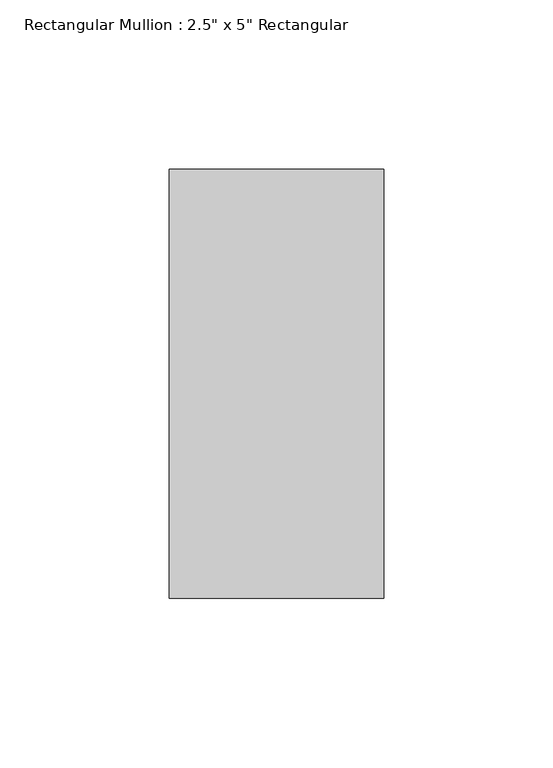
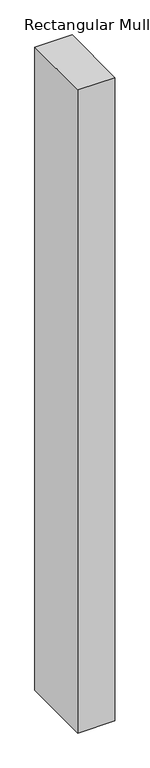
"""IFC4 building model written with IfcOpenShell, lengths in millimetres: member geometry."""

from ifc_helpers import new_model, si_unit, frame, origin, place, context, project, spatial, polyline, outline, extrude, source, transform, mapped, element, save


def member_395159b1(model_context):
    return source(origin(), model_context, "Body", "SweptSolid", [
        extrude(outline(polyline([(31.75, 63.5), (31.75, -63.5), (-31.75, -63.5), (-31.75, 63.5), (31.75, 63.5)])), frame((0.0, 0.0, -1162.05), z_axis=(0.0, 0.0, 1.0), x_axis=(1.0, 0.0, 0.0)), (0.0, 0.0, 1.0), 1162.05),
    ])


if __name__ == "__main__":
    model = new_model("IFC4")
    model_context = context("Model", 3, world=origin())
    ifc_project = project(units=[si_unit("LENGTHUNIT", "METRE", prefix="MILLI")], contexts=[model_context])
    site = spatial("IfcSite", under=ifc_project)
    building = spatial("IfcBuilding", under=site)
    placement = place(None, origin())
    member_shape = member_395159b1(model_context)
    element("IfcMember", 1, ObjectType="Rectangular Mullion : 2.5\" x 5\" Rectangular", at=placement, inside=building, context=model_context, shape_type="MappedRepresentation", body=[
        mapped(member_shape, transform((0.0, 0.0, 0.0), x_axis=(1.0, 0.0, 0.0), y_axis=(0.0, 1.0, 0.0), z_axis=(0.0, 0.0, 1.0))),
    ])
    save(model, "model.ifc")
